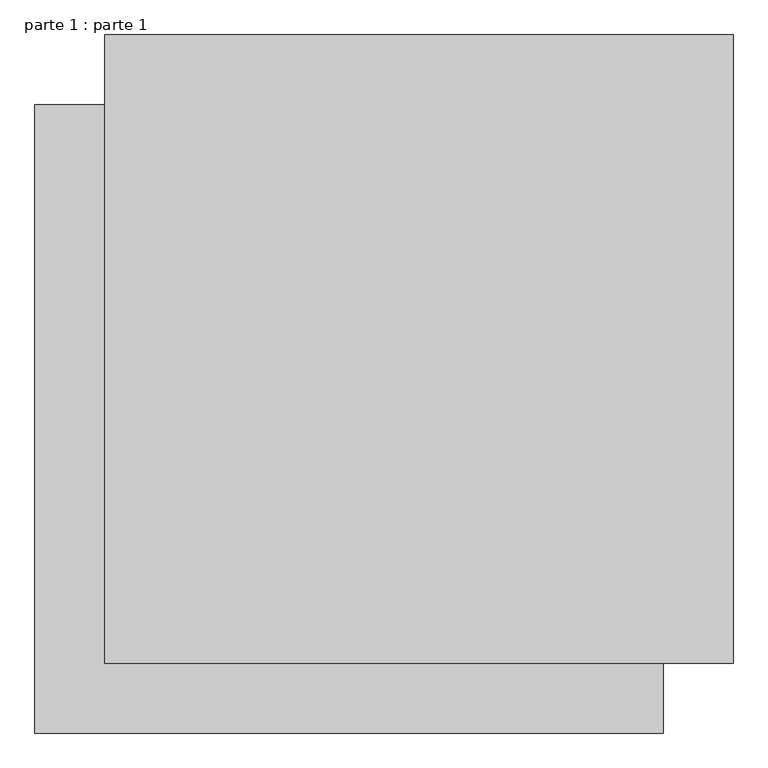
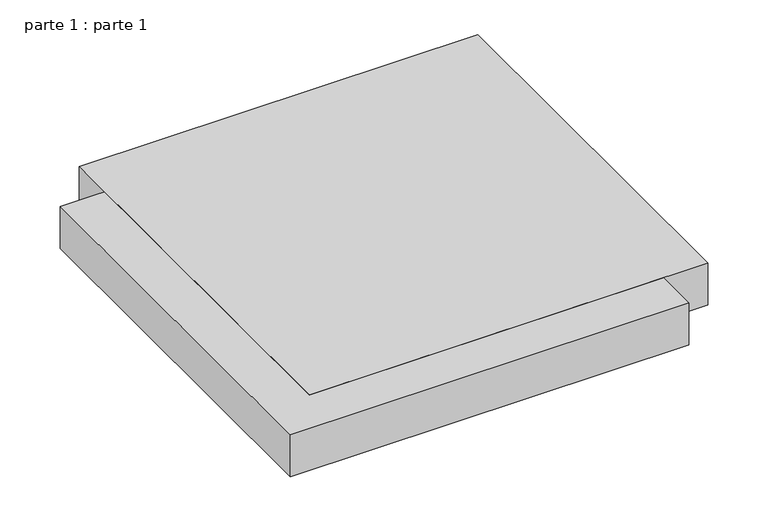
"""IFC4 building model written with IfcOpenShell, lengths in millimetres: proxy geometry, parte 1 : parte 1."""

from ifc_helpers import new_model, si_unit, frame, origin, place, context, project, spatial, polyline, outline, extrude, source, transform, mapped, element, save


def parte_1_parte_1_cbce73eb(model_context):
    return source(origin(), model_context, "Body", "SweptSolid", [
        extrude(outline(polyline([(1000.0, 1000.0), (1000.0, 100.0), (100.0, 100.0), (100.0, 1000.0), (1000.0, 1000.0)])), frame((0.0, 0.0, 200.0), z_axis=(0.0, 0.0, 1.0), x_axis=(1.0, 0.0, 0.0)), (0.0, 0.0, 1.0), 100.0),
        extrude(outline(polyline([(900.0, 0.0), (0.0, 0.0), (0.0, 900.0), (900.0, 900.0), (900.0, 0.0)])), frame((0.0, 0.0, 200.0), z_axis=(0.0, 0.0, 1.0), x_axis=(1.0, 0.0, 0.0)), (0.0, 0.0, 1.0), 100.0),
    ])


if __name__ == "__main__":
    model = new_model("IFC4")
    model_context = context("Model", 3, world=origin())
    ifc_project = project(units=[si_unit("LENGTHUNIT", "METRE", prefix="MILLI")], contexts=[model_context])
    site = spatial("IfcSite", under=ifc_project)
    building = spatial("IfcBuilding", under=site)
    placement = place(None, origin())
    parte_1_parte_1_shape = parte_1_parte_1_cbce73eb(model_context)
    element("IfcBuildingElementProxy", 1, Name="parte 1 : parte 1", ObjectType="parte 1 : parte 1", at=placement, inside=building, context=model_context, shape_type="MappedRepresentation", body=[
        mapped(parte_1_parte_1_shape, transform((0.0, 0.0, 0.0), x_axis=(1.0, 0.0, 0.0), y_axis=(0.0, 1.0, 0.0), z_axis=(0.0, 0.0, 1.0))),
    ])
    save(model, "model.ifc")
